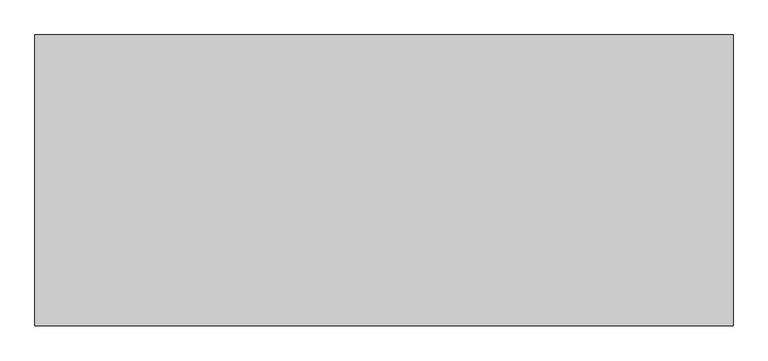
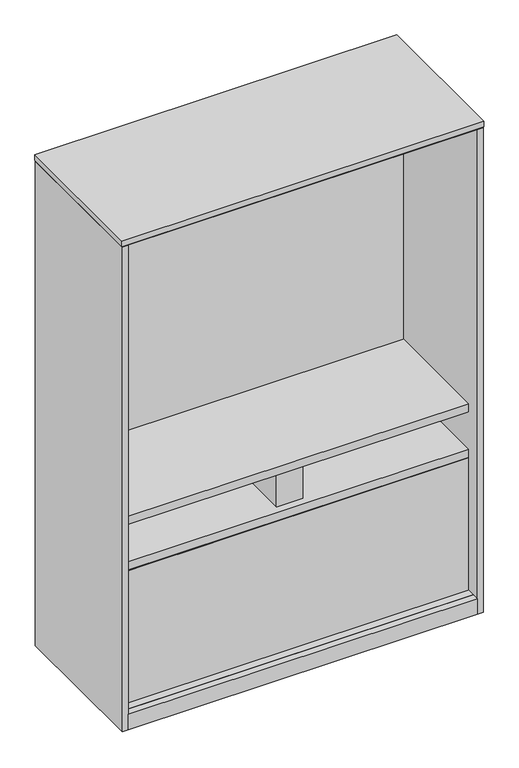
"""IFC4 building model written with IfcOpenShell, lengths in millimetres: furniture geometry."""

from ifc_helpers import new_model, si_unit, point, frame, frame_2d, origin, origin_with_axes, place, context, project, spatial, polyline, circle_curve, trimmed, segment, composite_curve, outline, extrude, source, transform, mapped, element, save


def furniture_bf615e5f(model_context):
    return source(origin(), model_context, "Body", "SweptSolid", [
        extrude(outline(polyline([(1191.25238, -76.6318), (21.59762, -76.6318), (21.59762, -51.2318), (1191.25238, -51.2318), (1191.25238, -76.6318)])), frame((0.0, 0.0, 58.7502), z_axis=(0.0, 0.0, 1.0), x_axis=(1.0, 0.0, 0.0)), (0.0, 0.0, 1.0), 467.89594),
        extrude(outline(polyline([(1191.25238, -453.5932), (21.59762, -453.5932), (21.59762, -428.1932), (1191.25238, -428.1932), (1191.25238, -453.5932)])), frame((0.0, 0.0, 58.7502), z_axis=(0.0, 0.0, 1.0), x_axis=(1.0, 0.0, 0.0)), (0.0, 0.0, 1.0), 467.89594),
        extrude(outline(composite_curve([segment(polyline([(703.024704, 561.975), (557.60112, 561.975), (557.60112, 650.875), (703.024704, 650.875), (703.024704, 625.475)]), True, "CONTINUOUS"), segment(trimmed(circle_curve(frame_2d((703.024704, 606.425)), 19.05), [point((703.024704, 625.475))], [point((703.024704, 587.375))], True, "CARTESIAN"), True, "CONTINUOUS"), segment(polyline([(703.024704, 587.375), (703.024704, 561.975)]), True, "CONTINUOUS")], self_intersect=False)), frame((0.0, -428.1932, 0.0), z_axis=(0.0, 1.0, 0.0), x_axis=(0.0, 0.0, 1.0)), (0.0, 0.0, 1.0), 351.5614),
        extrude(outline(polyline([(1191.25238, -453.5932), (21.59762, -453.5932), (21.59762, -51.2318), (1191.25238, -51.2318), (1191.25238, -453.5932)])), frame((0.0, 0.0, 529.16328), z_axis=(0.0, 0.0, 1.0), x_axis=(1.0, 0.0, 0.0)), (0.0, 0.0, 1.0), 28.43784),
        extrude(outline(polyline([(1191.25238, -453.5932), (21.59762, -453.5932), (21.59762, -51.2318), (1191.25238, -51.2318), (1191.25238, -453.5932)])), frame((0.0, 0.0, 690.7657), z_axis=(0.0, 0.0, 1.0), x_axis=(1.0, 0.0, 0.0)), (0.0, 0.0, 1.0), 28.43784),
        extrude(outline(polyline([(1191.25238, -76.6318), (21.59762, -76.6318), (21.59762, -51.2318), (1191.25238, -51.2318), (1191.25238, -76.6318)])), frame((0.0, 0.0, 719.20354), z_axis=(0.0, 0.0, 1.0), x_axis=(1.0, 0.0, 0.0)), (0.0, 0.0, 1.0), 805.71086),
        extrude(outline(polyline([(1191.25238, -453.5932), (21.59762, -453.5932), (21.59762, -51.2318), (1191.25238, -51.2318), (1191.25238, -453.5932)])), frame((0.0, 0.0, 1693.2148), z_axis=(0.0, 0.0, 1.0), x_axis=(1.0, 0.0, 0.0)), (0.0, 0.0, 1.0), 26.924),
        extrude(outline(polyline([(1210.564, -502.92), (3.8735, -502.92), (3.8735, -0.7874), (1210.564, -0.7874), (1210.564, -502.92)])), frame((0.0, 0.0, 1720.1388), z_axis=(0.0, 0.0, 1.0), x_axis=(1.0, 0.0, 0.0)), (0.0, 0.0, 1.0), 1.905),
        extrude(outline(polyline([(1191.25238, -481.7618), (1191.25238, -504.825), (21.59762, -504.825), (21.59762, -481.7618), (1191.25238, -481.7618)])), frame((0.0, 0.0, 3.5814), z_axis=(0.0, 0.0, 1.0), x_axis=(1.0, 0.0, 0.0)), (0.0, 0.0, 1.0), 55.1688),
        extrude(outline(polyline([(46.1772, -71.0692), (61.8363, -80.1099856), (61.8363, -98.1915568), (46.1772, -107.2323424), (30.5181, -98.1915568), (30.5181, -80.1099856), (46.1772, -71.0692)])), origin_with_axes(), (0.0, 0.0, 1.0), 8.4328),
        extrude(outline(polyline([(46.1772, -478.6376), (30.5181, -469.5968144), (30.5181, -451.5152432), (46.1772, -442.4744576), (61.8363, -451.5152432), (61.8363, -469.5968144), (46.1772, -478.6376)])), origin_with_axes(), (0.0, 0.0, 1.0), 8.4328),
        extrude(outline(polyline([(1166.6728, -71.0692), (1182.3319, -80.1099856), (1182.3319, -98.1915568), (1166.6728, -107.2323424), (1151.0137, -98.1915568), (1151.0137, -80.1099856), (1166.6728, -71.0692)])), origin_with_axes(), (0.0, 0.0, 1.0), 8.4328),
        extrude(outline(polyline([(1166.6728, -478.6376), (1151.0137, -469.5968144), (1151.0137, -451.5152432), (1166.6728, -442.4744576), (1182.3319, -451.5152432), (1182.3319, -469.5968144), (1166.6728, -478.6376)])), origin_with_axes(), (0.0, 0.0, 1.0), 8.4328),
        extrude(outline(polyline([(1212.85, -504.825), (0.0, -504.825), (0.0, 0.0), (1212.85, 0.0), (1212.85, -504.825)])), frame((0.0, 0.0, 1723.6948), z_axis=(0.0, 0.0, 1.0), x_axis=(1.0, 0.0, 0.0)), (0.0, 0.0, 1.0), 19.304),
        extrude(outline(polyline([(1191.25238, 0.0), (1191.25238, -481.7618), (21.59762, -481.7618), (21.59762, 0.0), (1191.25238, 0.0)])), frame((0.0, 0.0, 3.5814), z_axis=(0.0, 0.0, 1.0), x_axis=(1.0, 0.0, 0.0)), (0.0, 0.0, 1.0), 55.1688),
        extrude(outline(polyline([(21.59762, -504.825), (1.5875, -504.825), (1.5875, 0.0), (21.59762, 0.0), (21.59762, -504.825)])), frame((0.0, 0.0, 3.5814), z_axis=(0.0, 0.0, 1.0), x_axis=(1.0, 0.0, 0.0)), (0.0, 0.0, 1.0), 1716.5574),
        extrude(outline(polyline([(1211.2625, -504.825), (1191.25238, -504.825), (1191.25238, 0.0), (1211.2625, 0.0), (1211.2625, -504.825)])), frame((0.0, 0.0, 3.5814), z_axis=(0.0, 0.0, 1.0), x_axis=(1.0, 0.0, 0.0)), (0.0, 0.0, 1.0), 1716.5574),
    ])


if __name__ == "__main__":
    model = new_model("IFC4")
    model_context = context("Model", 3, world=origin())
    ifc_project = project(units=[si_unit("LENGTHUNIT", "METRE", prefix="MILLI")], contexts=[model_context])
    site = spatial("IfcSite", under=ifc_project)
    building = spatial("IfcBuilding", under=site)
    placement = place(None, origin())
    furniture_shape = furniture_bf615e5f(model_context)
    element("IfcFurniture", 1, at=placement, inside=building, context=model_context, shape_type="MappedRepresentation", body=[
        mapped(furniture_shape, transform((0.0, 0.0, 0.0), x_axis=(1.0, 0.0, 0.0), y_axis=(0.0, 1.0, 0.0), z_axis=(0.0, 0.0, 1.0))),
    ])
    save(model, "model.ifc")
